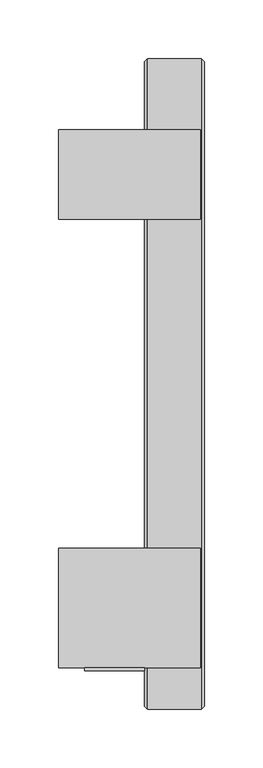
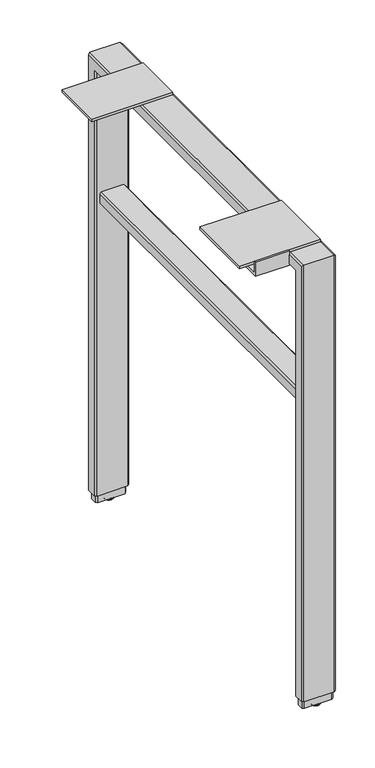
"""IFC4 building model written with IfcOpenShell, lengths in millimetres: furniture geometry."""

import ifcopenshell
import ifcopenshell.guid

model = None  # the IFC model being written
_history = None  # IfcOwnerHistory: only IFC2X3 demands one
_inside = {}  # id of a spatial element -> (the spatial element, [elements in it])
_under = {}  # id of a project, library or spatial element -> (it, [spatial elements below it])
_declared = {}  # id of a project -> (the project, [libraries it declares])
_typed = {}  # id of a type object -> (the type object, [elements of that type])
_made_of = {}  # id of a material, layer set ... -> (it, [elements and type objects made of it])


def new_model(schema):
    """Start an empty IFC model of exactly this schema.

    Asked for "IFC4X3", IfcOpenShell would pick the latest addendum, in which some entities
    have other attributes; the version numbers below select the first issue.
    IFC2X3 requires an IfcOwnerHistory on every rooted entity: one is made here for all.
    """
    global model, _history
    if schema == "IFC4X3":
        model = ifcopenshell.file(schema_version=(4, 3, 0, 0))
    else:
        model = ifcopenshell.file(schema=schema)
    _inside.clear()
    _under.clear()
    _declared.clear()
    _typed.clear()
    _made_of.clear()
    _history = None
    if model.schema == "IFC2X3":
        org = make("IfcOrganization", Name="unknown")
        user = make(
            "IfcPersonAndOrganization",
            ThePerson=make("IfcPerson", FamilyName="unknown"),
            TheOrganization=org,
        )
        app = make(
            "IfcApplication",
            ApplicationDeveloper=org,
            Version="unknown",
            ApplicationFullName="unknown",
            ApplicationIdentifier="unknown",
        )
        _history = make(
            "IfcOwnerHistory",
            OwningUser=user,
            OwningApplication=app,
            ChangeAction="ADDED",
            CreationDate=0,
        )
    return model


def make(cls, **values):
    """One entity of the class cls with the attributes given. An attribute that is None is left unset."""
    return model.create_entity(
        cls, **{name: value for name, value in values.items() if value is not None}
    )


def rooted(cls, **values):
    """An entity with a GlobalId (a new one), such as an element, a storey or a relation."""
    return make(cls, GlobalId=ifcopenshell.guid.new(), OwnerHistory=_history, **values)


def si_unit(unit_type, name, prefix=None):
    """IfcSIUnit, for example si_unit("LENGTHUNIT", "METRE", prefix="MILLI")."""
    return make("IfcSIUnit", UnitType=unit_type, Prefix=prefix, Name=name)


def assignment(units):
    """IfcUnitAssignment: the units of a project."""
    return None if units is None else make("IfcUnitAssignment", Units=units)


def point(xyz):
    """IfcCartesianPoint."""
    return None if xyz is None else make("IfcCartesianPoint", Coordinates=xyz)


def direction(xyz):
    """IfcDirection."""
    return None if xyz is None else make("IfcDirection", DirectionRatios=xyz)


def frame(location, z_axis=None, x_axis=None):
    """IfcAxis2Placement3D, a coordinate frame: its origin and axes. An axis left out is left unset."""
    return make(
        "IfcAxis2Placement3D",
        Location=point(location),
        Axis=direction(z_axis),
        RefDirection=direction(x_axis),
    )


def origin():
    """The frame at (0, 0, 0) with its axes left unset."""
    return frame((0.0, 0.0, 0.0))


def place(relative_to, where):
    """IfcLocalPlacement: puts the frame where relative to a parent placement (None: the world)."""
    return make(
        "IfcLocalPlacement", PlacementRelTo=relative_to, RelativePlacement=where
    )


def context(
    kind, dimensions, precision=None, world=None, true_north=None, identifier=None
):
    """IfcGeometricRepresentationContext, for example the 3D "Model" context."""
    return make(
        "IfcGeometricRepresentationContext",
        ContextIdentifier=identifier,
        ContextType=kind,
        CoordinateSpaceDimension=dimensions,
        Precision=precision,
        WorldCoordinateSystem=world,
        TrueNorth=true_north,
    )


def project(units=None, contexts=None):
    """IfcProject with its units and contexts."""
    return rooted(
        "IfcProject",
        Name="project",
        RepresentationContexts=contexts,
        UnitsInContext=assignment(units),
    )


def spatial(cls, under=None, at=None, **own):
    """A site, building, storey or space (cls), placed at a placement, below another one or the project."""
    s = rooted(cls, ObjectPlacement=at, **own)
    if under is not None:
        _under.setdefault(under.id(), (under, []))[1].append(s)
    return s


def polyline(points):
    """IfcPolyline through the points."""
    return make("IfcPolyline", Points=[point(p) for p in points])


def circle_curve(where, radius):
    """IfcCircle in the frame where."""
    return make("IfcCircle", Position=where, Radius=radius)


def ellipse_curve(where, semi_axis1, semi_axis2):
    """IfcEllipse in the frame where."""
    return make(
        "IfcEllipse", Position=where, SemiAxis1=semi_axis1, SemiAxis2=semi_axis2
    )


def trimmed(basis, trim1, trim2, sense, master):
    """IfcTrimmedCurve: the piece of a basis curve between two trims."""
    return make(
        "IfcTrimmedCurve",
        BasisCurve=basis,
        Trim1=trim1,
        Trim2=trim2,
        SenseAgreement=sense,
        MasterRepresentation=master,
    )


def outline(outer, holes=None, kind="AREA"):
    """IfcArbitraryClosedProfileDef: a profile drawn as a closed curve; with holes, ...WithVoids."""
    if holes is None:
        return make("IfcArbitraryClosedProfileDef", ProfileType=kind, OuterCurve=outer)
    return make(
        "IfcArbitraryProfileDefWithVoids",
        ProfileType=kind,
        OuterCurve=outer,
        InnerCurves=holes,
    )


def extrude(swept, where, along, depth):
    """IfcExtrudedAreaSolid: the profile swept, set in the frame where, extruded along a direction by depth."""
    return make(
        "IfcExtrudedAreaSolid",
        SweptArea=swept,
        Position=where,
        ExtrudedDirection=direction(along),
        Depth=depth,
    )


def faces_of(points, faces, orient=None, outer=None):
    """IfcFace entities. A face is a list of loops; a loop is a list of indices into points, from 0.

    orient and outer hold one flag for each loop. By default every Orientation is true, the
    first loop of a face is its IfcFaceOuterBound and the others are IfcFaceBound.
    """
    made = []
    for i, loops in enumerate(faces):
        bounds = []
        for j, loop in enumerate(loops):
            is_outer = j == 0 if outer is None else outer[i][j]
            bounds.append(
                make(
                    "IfcFaceOuterBound" if is_outer else "IfcFaceBound",
                    Bound=make("IfcPolyLoop", Polygon=[points[k] for k in loop]),
                    Orientation=True if orient is None else orient[i][j],
                )
            )
        made.append(make("IfcFace", Bounds=bounds))
    return made


def faceted_brep(points, faces, orient=None, outer=None, voids=None):
    """IfcFacetedBrep: a solid bounded by flat faces; with voids (closed shells), ...WithVoids."""
    shared = [point(p) for p in points]
    hull = make("IfcClosedShell", CfsFaces=faces_of(shared, faces, orient, outer))
    if voids is None:
        return make("IfcFacetedBrep", Outer=hull)
    return make(
        "IfcFacetedBrepWithVoids",
        Outer=hull,
        Voids=[
            make(cls, CfsFaces=faces_of(shared, fs, o, b)) for cls, fs, o, b in voids
        ],
    )


def shape(context_of_items, identifier, shape_type, items):
    """IfcShapeRepresentation: the items that make up one representation, for example the "Body"."""
    return make(
        "IfcShapeRepresentation",
        ContextOfItems=context_of_items,
        RepresentationIdentifier=identifier,
        RepresentationType=shape_type,
        Items=items,
    )


def source(mapping_origin, context_of_items, identifier, shape_type, items):
    """IfcRepresentationMap: a shape defined once, which mapped items show again and again."""
    return make(
        "IfcRepresentationMap",
        MappingOrigin=mapping_origin,
        MappedRepresentation=shape(context_of_items, identifier, shape_type, items),
    )


def transform(
    local_origin,
    x_axis=None,
    y_axis=None,
    z_axis=None,
    scale=None,
    scale2=None,
    scale3=None,
    uniform=True,
):
    """IfcCartesianTransformationOperator3D, or its non-uniform kind. x_axis, y_axis, z_axis: its Axis1, 2, 3."""
    if uniform:
        return make(
            "IfcCartesianTransformationOperator3D",
            Axis1=direction(x_axis),
            Axis2=direction(y_axis),
            LocalOrigin=point(local_origin),
            Scale=scale,
            Axis3=direction(z_axis),
        )
    return make(
        "IfcCartesianTransformationOperator3DnonUniform",
        Axis1=direction(x_axis),
        Axis2=direction(y_axis),
        LocalOrigin=point(local_origin),
        Scale=scale,
        Axis3=direction(z_axis),
        Scale2=scale2,
        Scale3=scale3,
    )


def mapped(mapping_source, mapping_target):
    """IfcMappedItem: shows the shape of a source again, moved by a transform."""
    return make(
        "IfcMappedItem", MappingSource=mapping_source, MappingTarget=mapping_target
    )


def made_of(thing, what):
    """Note that an element or type object is made of a material, layer set ...; save() writes the relation."""
    if what is not None:
        _made_of.setdefault(what.id(), (what, []))[1].append(thing)
    return thing


def element(
    cls,
    number,
    at=None,
    inside=None,
    cuts=None,
    type_object=None,
    material=None,
    context=None,
    identifier="Body",
    shape_type=None,
    held_by="IfcProductDefinitionShape",
    body=None,
    shapes=None,
    **own,
):
    """One element of the class cls, such as IfcWall. Its Tag is "e" and its number.

    at: its placement. inside: the storey or other place that contains it. cuts: it is an
    opening in that element (IfcRelVoidsElement). A single representation is given by context,
    identifier, shape_type and body (its items); several are given by shapes. held_by: the class
    of the entity that holds the representations. save() writes the other relations.
    """
    e = rooted(cls, Tag="e%d" % number, ObjectPlacement=at, **own)
    if body is not None:
        shapes = [shape(context, identifier, shape_type, body)]
    if shapes is not None:
        e.Representation = make(held_by, Representations=shapes)
    if inside is not None:
        _inside.setdefault(inside.id(), (inside, []))[1].append(e)
    if cuts is not None:
        rooted(
            "IfcRelVoidsElement", RelatingBuildingElement=cuts, RelatedOpeningElement=e
        )
    if type_object is not None:
        _typed.setdefault(type_object.id(), (type_object, []))[1].append(e)
    return made_of(e, material)


def aggregate(whole, parts):
    """IfcRelAggregates: a whole, such as a stair, and the parts it consists of."""
    return rooted("IfcRelAggregates", RelatingObject=whole, RelatedObjects=parts)


def save(model, path):
    """Write the relations noted so far, then the file.

    IfcRelAggregates (storeys below a building ...), IfcRelContainedInSpatialStructure (elements
    in a storey), IfcRelDefinesByType, IfcRelAssociatesMaterial and IfcRelDeclares: one each for
    every whole, place, type object, material and project.
    """
    for whole, parts in _under.values():
        aggregate(whole, parts)
    for where, things in _inside.values():
        rooted(
            "IfcRelContainedInSpatialStructure",
            RelatedElements=things,
            RelatingStructure=where,
        )
    for kind, things in _typed.values():
        rooted("IfcRelDefinesByType", RelatedObjects=things, RelatingType=kind)
    for what, things in _made_of.values():
        rooted("IfcRelAssociatesMaterial", RelatedObjects=things, RelatingMaterial=what)
    for by, libraries in _declared.values():
        rooted("IfcRelDeclares", RelatingContext=by, RelatedDefinitions=libraries)
    model.write(path)


def plane_surface(at):
    """IfcPlane: the flat surface through the origin of the frame at, square to its z axis."""
    return make("IfcPlane", Position=at)


def cylinder_surface(at, radius):
    """IfcCylindricalSurface: all points at the distance radius from the z axis of the frame at."""
    return make("IfcCylindricalSurface", Position=at, Radius=radius)


def revolved_surface(curve, axis_point, axis_direction):
    """IfcSurfaceOfRevolution: the curve turned about the line through axis_point along axis_direction."""
    return make(
        "IfcSurfaceOfRevolution",
        SweptCurve=make("IfcArbitraryOpenProfileDef", ProfileType="CURVE", Curve=curve),
        AxisPosition=make("IfcAxis1Placement", Location=point(axis_point), Axis=direction(axis_direction)),
    )


def advanced_brep(points, edges, surfaces, faces):
    """IfcAdvancedBrep: a solid bounded by faces that lie on surfaces and meet in shared edges.

    An edge is (start, end): straight between two places in points (the first is 0);
    or (start, end, curve); or (start, end, curve, False) where it runs against its curve.
    A face is (place in surfaces, loops), or (place, loops, False) where it looks against
    its surface's normal. A loop lists edges by number (the first is 1), with a minus sign
    where the edge is run from its end to its start. The first loop is the outer one.
    """
    corners = [point(p) for p in points]
    vertices = [make("IfcVertexPoint", VertexGeometry=c) for c in corners]
    made = []
    for start, end, *more in edges:
        made.append(
            make(
                "IfcEdgeCurve",
                EdgeStart=vertices[start],
                EdgeEnd=vertices[end],
                EdgeGeometry=more[0] if more else make("IfcPolyline", Points=[corners[start], corners[end]]),
                SameSense=more[1] if len(more) > 1 else True,
            )
        )
    hull = []
    for where, loops, *sense in faces:
        bounds = []
        for j, loop in enumerate(loops):
            ring = [make("IfcOrientedEdge", EdgeElement=made[abs(k) - 1], Orientation=k > 0) for k in loop]
            bounds.append(
                make(
                    "IfcFaceOuterBound" if j == 0 else "IfcFaceBound",
                    Bound=make("IfcEdgeLoop", EdgeList=ring),
                    Orientation=True,
                )
            )
        hull.append(make("IfcAdvancedFace", Bounds=bounds, FaceSurface=surfaces[where], SameSense=sense[0] if sense else True))
    return make("IfcAdvancedBrep", Outer=make("IfcClosedShell", CfsFaces=hull))


def furniture_cb310ce1(model_context):
    return source(origin(), model_context, "Body", "SolidModel", [
        faceted_brep([(-713.738802, -267.6847799, 16.51), (-711.1994, -270.2247775, 16.51), (-711.1994, -284.1947823, 16.51), (-713.738802, -286.7347799, 16.51), (-759.458801, -286.7347799, 16.51), (-761.998801, -284.1947823, 16.51), (-761.998801, -270.2247775, 16.51), (-759.458801, -267.6847799, 16.51), (-711.1994, -270.2247775, 686.1556198), (-711.1994, 249.5100177, 686.1556198), (-711.1994, 249.5100177, 16.51), (-711.1994, 263.4800225, 16.51), (-711.1994, 263.4800225, 700.1256246), (-711.1994, -284.1947823, 700.1256246), (-713.738802, -286.7347799, 702.6656222), (-759.458801, -286.7347799, 702.6656222), (-761.998801, -284.1947823, 700.1256246), (-761.998801, 263.4800225, 700.1256246), (-761.998801, 263.4800225, 16.51), (-761.998801, 249.5100177, 16.51), (-761.998801, 249.5100177, 686.1556198), (-761.998801, -270.2247775, 686.1556198), (-759.458801, -267.6847799, 683.6156222), (-713.738802, -267.6847799, 683.6156222), (-713.738802, 266.0200201, 702.6656222), (-759.458801, 266.0200201, 702.6656222), (-759.458801, 246.9700201, 683.6156222), (-713.738802, 246.9700201, 683.6156222), (-713.738802, 266.0200201, 16.51), (-759.458801, 266.0200201, 16.51), (-759.458801, 246.9700201, 16.51), (-713.738802, 246.9700201, 16.51)], [[[0, 1, 2, 3, 4, 5, 6, 7]], [[2, 1, 8, 9, 10, 11, 12, 13]], [[4, 3, 14, 15]], [[6, 5, 16, 17, 18, 19, 20, 21]], [[0, 7, 22, 23]], [[15, 14, 24, 25]], [[23, 22, 26, 27]], [[25, 24, 28, 29]], [[27, 26, 30, 31]], [[31, 30, 19, 18, 29, 28, 11, 10]], [[1, 0, 23, 8]], [[3, 2, 13, 14]], [[5, 4, 15, 16]], [[7, 6, 21, 22]], [[8, 23, 27, 9]], [[14, 13, 12, 24]], [[16, 15, 25, 17]], [[22, 21, 20, 26]], [[9, 27, 31, 10]], [[24, 12, 11, 28]], [[17, 25, 29, 18]], [[26, 20, 19, 30]]]),
        extrude(outline(polyline([(-254.0957799, 684.5046222), (-254.0957799, 707.0090222), (-251.8097799, 707.0090222), (-251.8097799, 688.8480222), (-230.7277799, 688.8480222), (-230.7277799, 684.5046222), (-254.0957799, 684.5046222)])), frame((-812.862301, 0.0, 0.0), z_axis=(1.0, 0.0, 0.0), x_axis=(0.0, 1.0, 0.0)), (0.0, 0.0, 1.0), 50.8),
        advanced_brep(
        [(-731.5193954, 256.4950201, 0.0), (-741.6793993, 256.4950201, 0.0), (-736.5993974, 256.4950201, 0.0), (-736.5993974, 256.4950201, 3.8100001), (-743.2220422, 256.4950201, 3.8100001), (-729.9767525, 256.4950201, 3.8100001), (-743.7113974, 256.4950201, 3.183654), (-729.4873973, 256.4950201, 3.183654), (-743.7113974, 256.4950201, 2.032), (-729.4873973, 256.4950201, 2.032)],
        [
            (0, 1, circle_curve(frame((-736.5993974, 256.4950201, 0.0), z_axis=(0.0, 0.0, -1.0), x_axis=(-1.0, 0.0, 0.0)), 5.080002)),
            (1, 2),
            (2, 0),
            (1, 0, circle_curve(frame((-736.5993974, 256.4950201, 0.0), z_axis=(0.0, 0.0, -1.0), x_axis=(-1.0, 0.0, 0.0)), 5.080002)),
            (3, 4),
            (4, 5, circle_curve(frame((-736.5993974, 256.4950201, 3.8100001), z_axis=(0.0, 0.0, 1.0), x_axis=(-1.0, 0.0, 0.0)), 6.6226448)),
            (5, 3),
            (5, 4, circle_curve(frame((-736.5993974, 256.4950201, 3.8100001), z_axis=(0.0, 0.0, 1.0), x_axis=(-1.0, 0.0, 0.0)), 6.6226448)),
            (4, 6),
            (6, 7, circle_curve(frame((-736.5993974, 256.4950201, 3.183654), z_axis=(0.0, 0.0, 1.0), x_axis=(-1.0, 0.0, 0.0)), 7.112)),
            (7, 5),
            (7, 6, circle_curve(frame((-736.5993974, 256.4950201, 3.183654), z_axis=(0.0, 0.0, 1.0), x_axis=(-1.0, 0.0, 0.0)), 7.112)),
            (6, 8),
            (8, 9, circle_curve(frame((-736.5993974, 256.4950201, 2.032), z_axis=(0.0, 0.0, 1.0), x_axis=(-1.0, 0.0, 0.0)), 7.112)),
            (9, 7),
            (9, 8, circle_curve(frame((-736.5993974, 256.4950201, 2.032), z_axis=(0.0, 0.0, 1.0), x_axis=(-1.0, 0.0, 0.0)), 7.112)),
            (8, 1, circle_curve(frame((-740.2425579, 256.4950201, 3.4688381), z_axis=(0.0, -1.0, 0.0), x_axis=(-1.0, 0.0, 0.0)), 3.7546439)),
            (0, 9, circle_curve(frame((-732.9562368, 256.4950201, 3.4688381), z_axis=(0.0, -1.0, 0.0), x_axis=(1.0, 0.0, 0.0)), 3.7546439)),
        ],
        [
            plane_surface(frame((-736.5993974, 256.4950201, 0.0), z_axis=(0.0, 0.0, -1.0), x_axis=(-1.0, 0.0, 0.0))),
            plane_surface(frame((-736.5993974, 256.4950201, 3.8100001), z_axis=(0.0, 0.0, 1.0), x_axis=(-1.0, 0.0, 0.0))),
            revolved_surface(polyline([(-743.7113974, 256.4950201, 3.183654), (-743.2220422, 256.4950201, 3.8100001)]), (-736.5993974, 256.4950201, -2.6032322), (0.0, 0.0, 1.0)),
            cylinder_surface(frame((-736.5993974, 256.4950201, -2.6032322), z_axis=(0.0, 0.0, 1.0), x_axis=(-1.0, 0.0, 0.0)), 7.112),
            revolved_surface(trimmed(ellipse_curve(frame((-740.2425579, 256.4950201, 3.4688381), z_axis=(0.0, 1.0, 0.0), x_axis=(-1.0, 0.0, 0.0)), 3.7546439, 3.7546439), [point((-741.6793993, 256.4950201, 0.0))], [point((-743.7113974, 256.4950201, 2.032))], True, "CARTESIAN"), (-736.5993974, 256.4950201, -2.6032322), (0.0, 0.0, 1.0)),
        ],
        [
            (0, [[1, 2, 3]]),
            (0, [[4, -3, -2]]),
            (1, [[5, 6, 7]]),
            (1, [[-7, 8, -5]]),
            (2, [[-6, 9, 10, 11]]),
            (2, [[-8, -11, 12, -9]]),
            (3, [[-10, 13, 14, 15]]),
            (3, [[-12, -15, 16, -13]]),
            (4, [[-14, 17, -1, 18]]),
            (4, [[-16, -18, -4, -17]]),
        ],
    ),
        extrude(outline(polyline([(-714.437301, -150.2097799), (-714.437301, -251.8097799), (-835.087301, -251.8097799), (-835.087301, -150.2097799), (-714.437301, -150.2097799)])), frame((0.0, 0.0, 702.6656222), z_axis=(0.0, 0.0, 1.0), x_axis=(1.0, 0.0, 0.0)), (0.0, 0.0, 1.0), 4.3434),
        extrude(outline(polyline([(-714.437301, 205.6950201), (-714.437301, 129.4950201), (-835.087301, 129.4950201), (-835.087301, 205.6950201), (-714.437301, 205.6950201)])), frame((0.0, 0.0, 702.6656222), z_axis=(0.0, 0.0, 1.0), x_axis=(1.0, 0.0, 0.0)), (0.0, 0.0, 1.0), 4.3434),
        extrude(outline(polyline([(476.5039908, -755.6487993), (473.9639932, -753.1088017), (473.9639932, -720.0887986), (476.5039908, -717.548801), (490.4739956, -717.548801), (493.0139932, -720.0887986), (493.0139932, -753.1087989), (490.4739928, -755.6487993), (476.5039908, -755.6487993)])), frame((0.0, -267.6847799, 0.0), z_axis=(0.0, 1.0, 0.0), x_axis=(0.0, 0.0, 1.0)), (0.0, 0.0, 1.0), 514.6548),
        advanced_brep(
        [(-731.5193954, -277.2097799, 0.0), (-741.6793993, -277.2097799, 0.0), (-736.5993974, -277.2097799, 0.0), (-736.5993974, -277.2097799, 3.8100001), (-743.2220422, -277.2097799, 3.8100001), (-729.9767525, -277.2097799, 3.8100001), (-743.7113974, -277.2097799, 3.183654), (-729.4873973, -277.2097799, 3.183654), (-743.7113974, -277.2097799, 2.032), (-729.4873973, -277.2097799, 2.032)],
        [
            (0, 1, circle_curve(frame((-736.5993974, -277.2097799, 0.0), z_axis=(0.0, 0.0, -1.0), x_axis=(-1.0, 0.0, 0.0)), 5.080002)),
            (1, 2),
            (2, 0),
            (1, 0, circle_curve(frame((-736.5993974, -277.2097799, 0.0), z_axis=(0.0, 0.0, -1.0), x_axis=(-1.0, 0.0, 0.0)), 5.080002)),
            (3, 4),
            (4, 5, circle_curve(frame((-736.5993974, -277.2097799, 3.8100001), z_axis=(0.0, 0.0, 1.0), x_axis=(-1.0, 0.0, 0.0)), 6.6226448)),
            (5, 3),
            (5, 4, circle_curve(frame((-736.5993974, -277.2097799, 3.8100001), z_axis=(0.0, 0.0, 1.0), x_axis=(-1.0, 0.0, 0.0)), 6.6226448)),
            (4, 6),
            (6, 7, circle_curve(frame((-736.5993974, -277.2097799, 3.183654), z_axis=(0.0, 0.0, 1.0), x_axis=(-1.0, 0.0, 0.0)), 7.112)),
            (7, 5),
            (7, 6, circle_curve(frame((-736.5993974, -277.2097799, 3.183654), z_axis=(0.0, 0.0, 1.0), x_axis=(-1.0, 0.0, 0.0)), 7.112)),
            (6, 8),
            (8, 9, circle_curve(frame((-736.5993974, -277.2097799, 2.032), z_axis=(0.0, 0.0, 1.0), x_axis=(-1.0, 0.0, 0.0)), 7.112)),
            (9, 7),
            (9, 8, circle_curve(frame((-736.5993974, -277.2097799, 2.032), z_axis=(0.0, 0.0, 1.0), x_axis=(-1.0, 0.0, 0.0)), 7.112)),
            (8, 1, circle_curve(frame((-740.2425579, -277.2097799, 3.4688381), z_axis=(0.0, -1.0, 0.0), x_axis=(-1.0, 0.0, 0.0)), 3.7546439)),
            (0, 9, circle_curve(frame((-732.9562368, -277.2097799, 3.4688381), z_axis=(0.0, -1.0, 0.0), x_axis=(1.0, 0.0, 0.0)), 3.7546439)),
        ],
        [
            plane_surface(frame((-736.5993974, -277.2097799, 0.0), z_axis=(0.0, 0.0, -1.0), x_axis=(-1.0, 0.0, 0.0))),
            plane_surface(frame((-736.5993974, -277.2097799, 3.8100001), z_axis=(0.0, 0.0, 1.0), x_axis=(-1.0, 0.0, 0.0))),
            revolved_surface(polyline([(-743.7113974, -277.2097799, 3.183654), (-743.2220422, -277.2097799, 3.8100001)]), (-736.5993974, -277.2097799, -2.6032322), (0.0, 0.0, 1.0)),
            cylinder_surface(frame((-736.5993974, -277.2097799, -2.6032322), z_axis=(0.0, 0.0, 1.0), x_axis=(-1.0, 0.0, 0.0)), 7.112),
            revolved_surface(trimmed(ellipse_curve(frame((-740.2425579, -277.2097799, 3.4688381), z_axis=(0.0, 1.0, 0.0), x_axis=(-1.0, 0.0, 0.0)), 3.7546439, 3.7546439), [point((-741.6793993, -277.2097799, 0.0))], [point((-743.7113974, -277.2097799, 2.032))], True, "CARTESIAN"), (-736.5993974, -277.2097799, -2.6032322), (0.0, 0.0, 1.0)),
        ],
        [
            (0, [[1, 2, 3]]),
            (0, [[4, -3, -2]]),
            (1, [[5, 6, 7]]),
            (1, [[-7, 8, -5]]),
            (2, [[-6, 9, 10, 11]]),
            (2, [[-8, -11, 12, -9]]),
            (3, [[-10, 13, 14, 15]]),
            (3, [[-12, -15, 16, -13]]),
            (4, [[-14, 17, -1, 18]]),
            (4, [[-16, -18, -4, -17]]),
        ],
    ),
        extrude(outline(polyline([(-757.0458011, -270.0977867), (-716.1523987, -270.0977867), (-713.6118022, -272.6377843), (-713.6118022, -281.7817756), (-716.1523987, -284.3217731), (-757.0458011, -284.3217731), (-759.5858009, -281.7817756), (-759.5858009, -272.6377843), (-757.0458011, -270.0977867)])), frame((0.0, 0.0, 3.8100001), z_axis=(0.0, 0.0, 1.0), x_axis=(1.0, 0.0, 0.0)), (0.0, 0.0, 1.0), 12.6999999),
        extrude(outline(polyline([(-757.0458011, 263.6070201), (-716.1523987, 263.6070201), (-713.6118022, 261.0670225), (-713.6118022, 251.9230312), (-716.1523987, 249.3830336), (-757.0458011, 249.3830336), (-759.5858009, 251.9230312), (-759.5858009, 261.0670225), (-757.0458011, 263.6070201)])), frame((0.0, 0.0, 3.8100001), z_axis=(0.0, 0.0, 1.0), x_axis=(1.0, 0.0, 0.0)), (0.0, 0.0, 1.0), 12.6999999),
    ])


if __name__ == "__main__":
    model = new_model("IFC4")
    model_context = context("Model", 3, world=origin())
    ifc_project = project(units=[si_unit("LENGTHUNIT", "METRE", prefix="MILLI")], contexts=[model_context])
    site = spatial("IfcSite", under=ifc_project)
    building = spatial("IfcBuilding", under=site)
    placement = place(None, origin())
    furniture_shape = furniture_cb310ce1(model_context)
    element("IfcFurniture", 1, at=placement, inside=building, context=model_context, shape_type="MappedRepresentation", body=[
        mapped(furniture_shape, transform((0.0, 0.0, 0.0), x_axis=(1.0, 0.0, 0.0), y_axis=(0.0, 1.0, 0.0), z_axis=(0.0, 0.0, 1.0))),
    ])
    save(model, "model.ifc")
